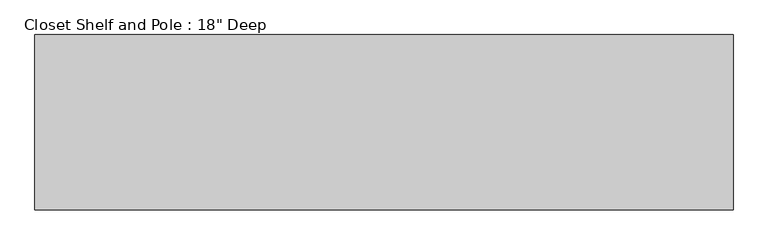
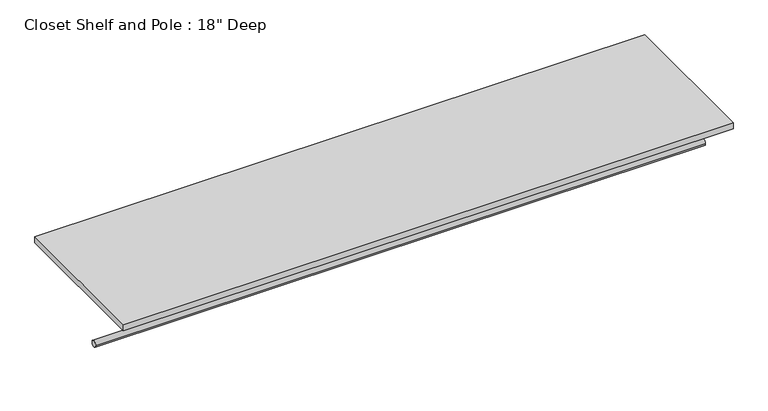
"""IFC4 building model written with IfcOpenShell, lengths in millimetres: proxy geometry."""

from ifc_helpers import new_model, si_unit, point, frame, frame_2d, origin, place, context, project, spatial, polyline, circle_curve, trimmed, segment, composite_curve, outline, extrude, source, transform, mapped, element, save


def proxy_b93efac9(model_context):
    return source(origin(), model_context, "Body", "SweptSolid", [
        extrude(outline(composite_curve([segment(trimmed(circle_curve(frame_2d((-304.8, 1676.4)), 9.525), [point((-314.325, 1676.4))], [point((-295.275, 1676.4))], False, "CARTESIAN"), True, "CONTINUOUS"), segment(trimmed(circle_curve(frame_2d((-304.8, 1676.4)), 9.525), [point((-295.275, 1676.4))], [point((-314.325, 1676.4))], False, "CARTESIAN"), True, "CONTINUOUS")], self_intersect=False)), frame((0.0, 0.0, 0.0), z_axis=(1.0, 0.0, 0.0), x_axis=(0.0, 1.0, 0.0)), (0.0, 0.0, 1.0), 1819.0847948),
        extrude(outline(polyline([(1819.0847948, 0.0), (1819.0847948, -457.2), (0.0, -457.2), (0.0, 0.0), (1819.0847948, 0.0)])), frame((0.0, 0.0, 1809.75), z_axis=(0.0, 0.0, 1.0), x_axis=(1.0, 0.0, 0.0)), (0.0, 0.0, 1.0), 19.05),
    ])


if __name__ == "__main__":
    model = new_model("IFC4")
    model_context = context("Model", 3, world=origin())
    ifc_project = project(units=[si_unit("LENGTHUNIT", "METRE", prefix="MILLI")], contexts=[model_context])
    site = spatial("IfcSite", under=ifc_project)
    building = spatial("IfcBuilding", under=site)
    placement = place(None, origin())
    proxy_shape = proxy_b93efac9(model_context)
    element("IfcBuildingElementProxy", 1, Name="Closet Shelf and Pole : 18\" Deep", ObjectType="Closet Shelf and Pole : 18\" Deep", at=placement, inside=building, context=model_context, shape_type="MappedRepresentation", body=[
        mapped(proxy_shape, transform((0.0, 0.0, 0.0), x_axis=(1.0, 0.0, 0.0), y_axis=(0.0, 1.0, 0.0), z_axis=(0.0, 0.0, 1.0))),
    ])
    save(model, "model.ifc")
